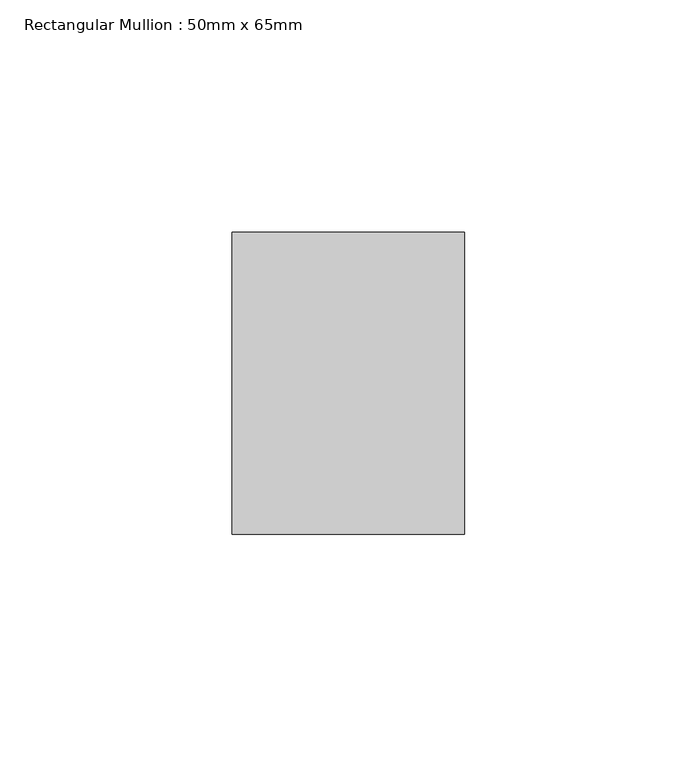
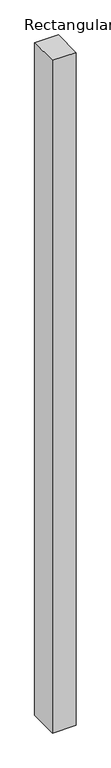
"""IFC4 building model written with IfcOpenShell, lengths in millimetres: member geometry, Rectangular Mullion : 50mm x 65mm."""

import ifcopenshell
import ifcopenshell.guid

model = None  # the IFC model being written
_history = None  # IfcOwnerHistory: only IFC2X3 demands one
_inside = {}  # id of a spatial element -> (the spatial element, [elements in it])
_under = {}  # id of a project, library or spatial element -> (it, [spatial elements below it])
_declared = {}  # id of a project -> (the project, [libraries it declares])
_typed = {}  # id of a type object -> (the type object, [elements of that type])
_made_of = {}  # id of a material, layer set ... -> (it, [elements and type objects made of it])


def new_model(schema):
    """Start an empty IFC model of exactly this schema.

    Asked for "IFC4X3", IfcOpenShell would pick the latest addendum, in which some entities
    have other attributes; the version numbers below select the first issue.
    IFC2X3 requires an IfcOwnerHistory on every rooted entity: one is made here for all.
    """
    global model, _history
    if schema == "IFC4X3":
        model = ifcopenshell.file(schema_version=(4, 3, 0, 0))
    else:
        model = ifcopenshell.file(schema=schema)
    _inside.clear()
    _under.clear()
    _declared.clear()
    _typed.clear()
    _made_of.clear()
    _history = None
    if model.schema == "IFC2X3":
        org = make("IfcOrganization", Name="unknown")
        user = make(
            "IfcPersonAndOrganization",
            ThePerson=make("IfcPerson", FamilyName="unknown"),
            TheOrganization=org,
        )
        app = make(
            "IfcApplication",
            ApplicationDeveloper=org,
            Version="unknown",
            ApplicationFullName="unknown",
            ApplicationIdentifier="unknown",
        )
        _history = make(
            "IfcOwnerHistory",
            OwningUser=user,
            OwningApplication=app,
            ChangeAction="ADDED",
            CreationDate=0,
        )
    return model


def make(cls, **values):
    """One entity of the class cls with the attributes given. An attribute that is None is left unset."""
    return model.create_entity(
        cls, **{name: value for name, value in values.items() if value is not None}
    )


def rooted(cls, **values):
    """An entity with a GlobalId (a new one), such as an element, a storey or a relation."""
    return make(cls, GlobalId=ifcopenshell.guid.new(), OwnerHistory=_history, **values)


def si_unit(unit_type, name, prefix=None):
    """IfcSIUnit, for example si_unit("LENGTHUNIT", "METRE", prefix="MILLI")."""
    return make("IfcSIUnit", UnitType=unit_type, Prefix=prefix, Name=name)


def assignment(units):
    """IfcUnitAssignment: the units of a project."""
    return None if units is None else make("IfcUnitAssignment", Units=units)


def point(xyz):
    """IfcCartesianPoint."""
    return None if xyz is None else make("IfcCartesianPoint", Coordinates=xyz)


def direction(xyz):
    """IfcDirection."""
    return None if xyz is None else make("IfcDirection", DirectionRatios=xyz)


def frame(location, z_axis=None, x_axis=None):
    """IfcAxis2Placement3D, a coordinate frame: its origin and axes. An axis left out is left unset."""
    return make(
        "IfcAxis2Placement3D",
        Location=point(location),
        Axis=direction(z_axis),
        RefDirection=direction(x_axis),
    )


def origin():
    """The frame at (0, 0, 0) with its axes left unset."""
    return frame((0.0, 0.0, 0.0))


def place(relative_to, where):
    """IfcLocalPlacement: puts the frame where relative to a parent placement (None: the world)."""
    return make(
        "IfcLocalPlacement", PlacementRelTo=relative_to, RelativePlacement=where
    )


def context(
    kind, dimensions, precision=None, world=None, true_north=None, identifier=None
):
    """IfcGeometricRepresentationContext, for example the 3D "Model" context."""
    return make(
        "IfcGeometricRepresentationContext",
        ContextIdentifier=identifier,
        ContextType=kind,
        CoordinateSpaceDimension=dimensions,
        Precision=precision,
        WorldCoordinateSystem=world,
        TrueNorth=true_north,
    )


def project(units=None, contexts=None):
    """IfcProject with its units and contexts."""
    return rooted(
        "IfcProject",
        Name="project",
        RepresentationContexts=contexts,
        UnitsInContext=assignment(units),
    )


def spatial(cls, under=None, at=None, **own):
    """A site, building, storey or space (cls), placed at a placement, below another one or the project."""
    s = rooted(cls, ObjectPlacement=at, **own)
    if under is not None:
        _under.setdefault(under.id(), (under, []))[1].append(s)
    return s


def faces_of(points, faces, orient=None, outer=None):
    """IfcFace entities. A face is a list of loops; a loop is a list of indices into points, from 0.

    orient and outer hold one flag for each loop. By default every Orientation is true, the
    first loop of a face is its IfcFaceOuterBound and the others are IfcFaceBound.
    """
    made = []
    for i, loops in enumerate(faces):
        bounds = []
        for j, loop in enumerate(loops):
            is_outer = j == 0 if outer is None else outer[i][j]
            bounds.append(
                make(
                    "IfcFaceOuterBound" if is_outer else "IfcFaceBound",
                    Bound=make("IfcPolyLoop", Polygon=[points[k] for k in loop]),
                    Orientation=True if orient is None else orient[i][j],
                )
            )
        made.append(make("IfcFace", Bounds=bounds))
    return made


def faceted_brep(points, faces, orient=None, outer=None, voids=None):
    """IfcFacetedBrep: a solid bounded by flat faces; with voids (closed shells), ...WithVoids."""
    shared = [point(p) for p in points]
    hull = make("IfcClosedShell", CfsFaces=faces_of(shared, faces, orient, outer))
    if voids is None:
        return make("IfcFacetedBrep", Outer=hull)
    return make(
        "IfcFacetedBrepWithVoids",
        Outer=hull,
        Voids=[
            make(cls, CfsFaces=faces_of(shared, fs, o, b)) for cls, fs, o, b in voids
        ],
    )


def shape(context_of_items, identifier, shape_type, items):
    """IfcShapeRepresentation: the items that make up one representation, for example the "Body"."""
    return make(
        "IfcShapeRepresentation",
        ContextOfItems=context_of_items,
        RepresentationIdentifier=identifier,
        RepresentationType=shape_type,
        Items=items,
    )


def source(mapping_origin, context_of_items, identifier, shape_type, items):
    """IfcRepresentationMap: a shape defined once, which mapped items show again and again."""
    return make(
        "IfcRepresentationMap",
        MappingOrigin=mapping_origin,
        MappedRepresentation=shape(context_of_items, identifier, shape_type, items),
    )


def transform(
    local_origin,
    x_axis=None,
    y_axis=None,
    z_axis=None,
    scale=None,
    scale2=None,
    scale3=None,
    uniform=True,
):
    """IfcCartesianTransformationOperator3D, or its non-uniform kind. x_axis, y_axis, z_axis: its Axis1, 2, 3."""
    if uniform:
        return make(
            "IfcCartesianTransformationOperator3D",
            Axis1=direction(x_axis),
            Axis2=direction(y_axis),
            LocalOrigin=point(local_origin),
            Scale=scale,
            Axis3=direction(z_axis),
        )
    return make(
        "IfcCartesianTransformationOperator3DnonUniform",
        Axis1=direction(x_axis),
        Axis2=direction(y_axis),
        LocalOrigin=point(local_origin),
        Scale=scale,
        Axis3=direction(z_axis),
        Scale2=scale2,
        Scale3=scale3,
    )


def mapped(mapping_source, mapping_target):
    """IfcMappedItem: shows the shape of a source again, moved by a transform."""
    return make(
        "IfcMappedItem", MappingSource=mapping_source, MappingTarget=mapping_target
    )


def made_of(thing, what):
    """Note that an element or type object is made of a material, layer set ...; save() writes the relation."""
    if what is not None:
        _made_of.setdefault(what.id(), (what, []))[1].append(thing)
    return thing


def element(
    cls,
    number,
    at=None,
    inside=None,
    cuts=None,
    type_object=None,
    material=None,
    context=None,
    identifier="Body",
    shape_type=None,
    held_by="IfcProductDefinitionShape",
    body=None,
    shapes=None,
    **own,
):
    """One element of the class cls, such as IfcWall. Its Tag is "e" and its number.

    at: its placement. inside: the storey or other place that contains it. cuts: it is an
    opening in that element (IfcRelVoidsElement). A single representation is given by context,
    identifier, shape_type and body (its items); several are given by shapes. held_by: the class
    of the entity that holds the representations. save() writes the other relations.
    """
    e = rooted(cls, Tag="e%d" % number, ObjectPlacement=at, **own)
    if body is not None:
        shapes = [shape(context, identifier, shape_type, body)]
    if shapes is not None:
        e.Representation = make(held_by, Representations=shapes)
    if inside is not None:
        _inside.setdefault(inside.id(), (inside, []))[1].append(e)
    if cuts is not None:
        rooted(
            "IfcRelVoidsElement", RelatingBuildingElement=cuts, RelatedOpeningElement=e
        )
    if type_object is not None:
        _typed.setdefault(type_object.id(), (type_object, []))[1].append(e)
    return made_of(e, material)


def aggregate(whole, parts):
    """IfcRelAggregates: a whole, such as a stair, and the parts it consists of."""
    return rooted("IfcRelAggregates", RelatingObject=whole, RelatedObjects=parts)


def save(model, path):
    """Write the relations noted so far, then the file.

    IfcRelAggregates (storeys below a building ...), IfcRelContainedInSpatialStructure (elements
    in a storey), IfcRelDefinesByType, IfcRelAssociatesMaterial and IfcRelDeclares: one each for
    every whole, place, type object, material and project.
    """
    for whole, parts in _under.values():
        aggregate(whole, parts)
    for where, things in _inside.values():
        rooted(
            "IfcRelContainedInSpatialStructure",
            RelatedElements=things,
            RelatingStructure=where,
        )
    for kind, things in _typed.values():
        rooted("IfcRelDefinesByType", RelatedObjects=things, RelatingType=kind)
    for what, things in _made_of.values():
        rooted("IfcRelAssociatesMaterial", RelatedObjects=things, RelatingMaterial=what)
    for by, libraries in _declared.values():
        rooted("IfcRelDeclares", RelatingContext=by, RelatedDefinitions=libraries)
    model.write(path)


def rectangular_mullion_50mm_x_65mm_89e7a5e8(model_context):
    return source(origin(), model_context, "Body", "Brep", [
        faceted_brep([(-25.0, 32.5, -0.0980885), (25.0, 32.5, -0.0980879), (25.0, 32.5, -1499.8164519), (-25.0, 32.5, -1499.8164509), (-25.0, -32.5, 0.0980879), (-25.0, -32.5, -1500.1835943), (25.0, -32.5, 0.0980885), (25.0, -32.5, -1500.1835953)], [[[0, 1, 2, 3]], [[4, 0, 3, 5]], [[6, 4, 5, 7]], [[1, 6, 7, 2]], [[1, 0, 4, 6]], [[2, 7, 5, 3]]]),
    ])


if __name__ == "__main__":
    model = new_model("IFC4")
    model_context = context("Model", 3, world=origin())
    ifc_project = project(units=[si_unit("LENGTHUNIT", "METRE", prefix="MILLI")], contexts=[model_context])
    site = spatial("IfcSite", under=ifc_project)
    building = spatial("IfcBuilding", under=site)
    placement = place(None, origin())
    rectangular_mullion_50mm_x_65mm_shape = rectangular_mullion_50mm_x_65mm_89e7a5e8(model_context)
    element("IfcMember", 1, ObjectType="Rectangular Mullion : 50mm x 65mm", at=placement, inside=building, context=model_context, shape_type="MappedRepresentation", body=[
        mapped(rectangular_mullion_50mm_x_65mm_shape, transform((0.0, 0.0, 0.0), x_axis=(1.0, 0.0, 0.0), y_axis=(0.0, 1.0, 0.0), z_axis=(0.0, 0.0, 1.0))),
    ])
    save(model, "model.ifc")
